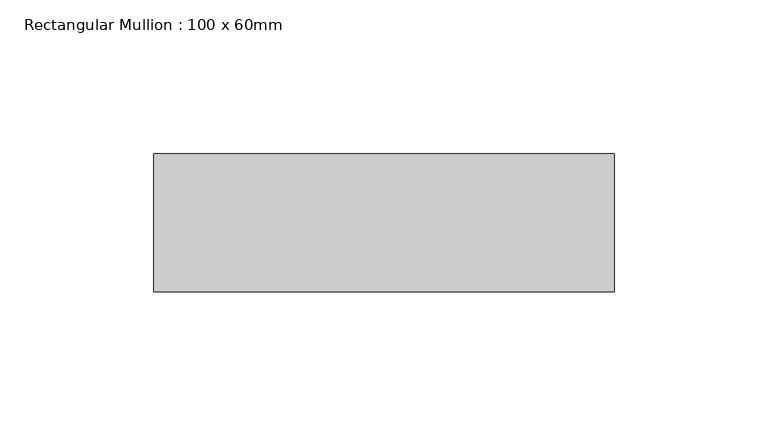
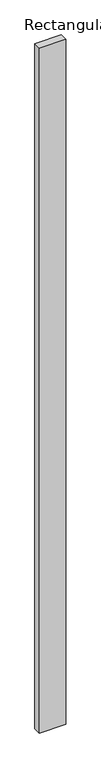
"""IFC4 building model written with IfcOpenShell, lengths in millimetres: member geometry, Rectangular Mullion : 100 x 60mm."""

from ifc_helpers import new_model, si_unit, frame, origin, place, context, project, spatial, polyline, outline, extrude, source, transform, mapped, element, save


def rectangular_mullion_100_x_60mm_ae87b183(model_context):
    return source(origin(), model_context, "Body", "SweptSolid", [
        extrude(outline(polyline([(0.0, -30.0), (-150.0, -30.0), (-150.0, 15.0), (0.0, 15.0), (0.0, -30.0)])), frame((0.0, 0.0, -4114.5193704), z_axis=(0.0, 0.0, 1.0), x_axis=(1.0, 0.0, 0.0)), (0.0, 0.0, 1.0), 4114.5193704),
    ])


if __name__ == "__main__":
    model = new_model("IFC4")
    model_context = context("Model", 3, world=origin())
    ifc_project = project(units=[si_unit("LENGTHUNIT", "METRE", prefix="MILLI")], contexts=[model_context])
    site = spatial("IfcSite", under=ifc_project)
    building = spatial("IfcBuilding", under=site)
    placement = place(None, origin())
    rectangular_mullion_100_x_60mm_shape = rectangular_mullion_100_x_60mm_ae87b183(model_context)
    element("IfcMember", 1, ObjectType="Rectangular Mullion : 100 x 60mm", at=placement, inside=building, context=model_context, shape_type="MappedRepresentation", body=[
        mapped(rectangular_mullion_100_x_60mm_shape, transform((0.0, 0.0, 0.0), x_axis=(1.0, 0.0, 0.0), y_axis=(0.0, 1.0, 0.0), z_axis=(0.0, 0.0, 1.0))),
    ])
    save(model, "model.ifc")
